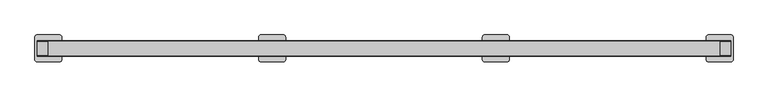
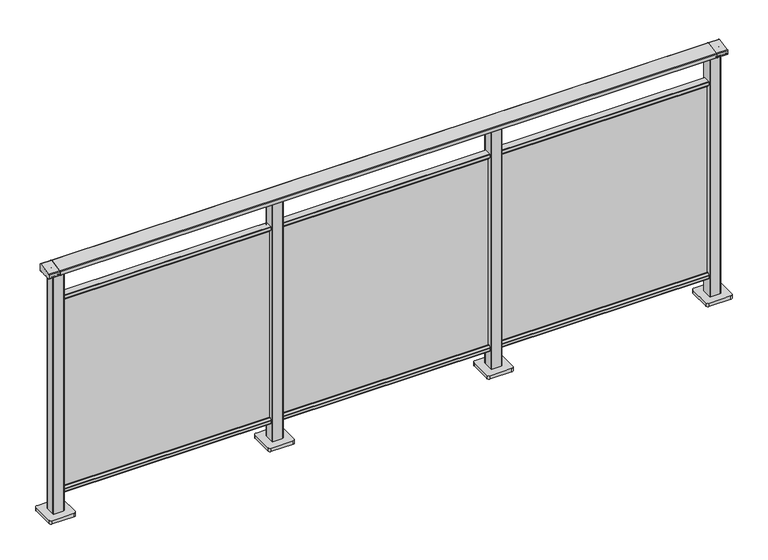
"""IFC4 building model written with IfcOpenShell, lengths in millimetres: railing geometry."""

from ifc_helpers import new_model, si_unit, point, frame, frame_2d, origin, origin_with_axes, place, context, project, spatial, polyline, circle_curve, trimmed, segment, composite_curve, outline, extrude, source, transform, mapped, element, save
from ifc_brep_helpers import plane_surface, cylinder_surface, advanced_brep


def railing_b24ad477(model_context):
    return source(origin(), model_context, "Body", "SolidModel", [
        extrude(outline(composite_curve([segment(trimmed(circle_curve(frame_2d((10327.8594975, 1197.0)), 3.0), [point((10327.338553, 1199.9544233))], [point((10330.8594975, 1197.0))], False, "CARTESIAN"), True, "CONTINUOUS"), segment(polyline([(10330.8594975, 1197.0), (10330.8594975, 1169.2)]), True, "CONTINUOUS"), segment(trimmed(circle_curve(frame_2d((10327.8594975, 1169.2)), 3.0), [point((10330.8594975, 1169.2))], [point((10327.8594975, 1166.2))], False, "CARTESIAN"), True, "CONTINUOUS"), segment(polyline([(10327.8594975, 1166.2), (10304.1783618, 1166.2)]), True, "CONTINUOUS"), segment(trimmed(circle_curve(frame_2d((10295.851515, 1183.2818957)), 19.003356), [point((10304.1783618, 1166.2))], [point((10287.5246681, 1166.2))], False, "CARTESIAN"), True, "CONTINUOUS"), segment(polyline([(10287.5246681, 1166.2), (10263.8594975, 1166.2)]), True, "CONTINUOUS"), segment(trimmed(circle_curve(frame_2d((10263.8594975, 1169.2)), 3.0), [point((10263.8594975, 1166.2))], [point((10260.8594975, 1169.2))], False, "CARTESIAN"), True, "CONTINUOUS"), segment(polyline([(10260.8594975, 1169.2), (10260.8594975, 1185.7150732)]), True, "CONTINUOUS"), segment(trimmed(circle_curve(frame_2d((10263.8594975, 1185.7150732)), 3.0), [point((10260.8594975, 1185.7150732))], [point((10263.338553, 1188.6694965))], False, "CARTESIAN"), True, "CONTINUOUS"), segment(polyline([(10263.338553, 1188.6694965), (10327.338553, 1199.9544233)]), True, "CONTINUOUS")], self_intersect=False)), frame((-418.6053075, 0.0, 0.0), z_axis=(1.0, 0.0, 0.0), x_axis=(0.0, 1.0, 0.0)), (0.0, 0.0, 1.0), 3000.0),
        extrude(outline(composite_curve([segment(trimmed(circle_curve(frame_2d((10280.1507946, 101.8)), 1.8), [point((10280.1507946, 100.0))], [point((10278.3507946, 101.8))], False, "CARTESIAN"), True, "CONTINUOUS"), segment(polyline([(10278.3507946, 101.8), (10278.3507946, 115.5269955)]), True, "CONTINUOUS"), segment(trimmed(circle_curve(frame_2d((10280.1507946, 115.5269955)), 1.8), [point((10278.3507946, 115.5269955))], [point((10278.7923377, 116.7079252))], False, "CARTESIAN"), True, "CONTINUOUS"), segment(polyline([(10278.7923377, 116.7079252), (10285.4626112, 124.3809297)]), True, "CONTINUOUS"), segment(trimmed(circle_curve(frame_2d((10286.8210681, 123.2)), 1.8), [point((10285.4626112, 124.3809297))], [point((10286.8210681, 125.0))], False, "CARTESIAN"), True, "CONTINUOUS"), segment(polyline([(10286.8210681, 125.0), (10290.5111103, 125.0), (10291.809167, 113.0), (10299.8924651, 113.0), (10301.1904968, 125.0), (10304.880515, 125.0)]), True, "CONTINUOUS"), segment(trimmed(circle_curve(frame_2d((10304.880515, 123.2)), 1.8), [point((10304.880515, 125.0))], [point((10306.2389697, 124.3809322))], False, "CARTESIAN"), True, "CONTINUOUS"), segment(polyline([(10306.2389697, 124.3809322), (10312.9092682, 116.7079277)]), True, "CONTINUOUS"), segment(trimmed(circle_curve(frame_2d((10311.5508136, 115.5269955)), 1.8), [point((10312.9092682, 116.7079277))], [point((10313.3508136, 115.5269955))], False, "CARTESIAN"), True, "CONTINUOUS"), segment(polyline([(10313.3508136, 115.5269955), (10313.3508136, 101.8)]), True, "CONTINUOUS"), segment(trimmed(circle_curve(frame_2d((10311.5508136, 101.8)), 1.8), [point((10313.3508136, 101.8))], [point((10311.5508136, 100.0))], False, "CARTESIAN"), True, "CONTINUOUS"), segment(polyline([(10311.5508136, 100.0), (10280.1507946, 100.0)]), True, "CONTINUOUS")], self_intersect=False)), frame((-418.6053075, 0.0, 0.0), z_axis=(1.0, 0.0, 0.0), x_axis=(0.0, 1.0, 0.0)), (0.0, 0.0, 1.0), 3000.0),
        extrude(outline(composite_curve([segment(trimmed(circle_curve(frame_2d((10311.5508136, 1048.2)), 1.8), [point((10311.5508136, 1050.0))], [point((10313.3508136, 1048.2))], False, "CARTESIAN"), True, "CONTINUOUS"), segment(polyline([(10313.3508136, 1048.2), (10313.3508136, 1034.4730045)]), True, "CONTINUOUS"), segment(trimmed(circle_curve(frame_2d((10311.5508136, 1034.4730045)), 1.8), [point((10313.3508136, 1034.4730045))], [point((10312.9092682, 1033.2920723))], False, "CARTESIAN"), True, "CONTINUOUS"), segment(polyline([(10312.9092682, 1033.2920723), (10306.2389697, 1025.6190678)]), True, "CONTINUOUS"), segment(trimmed(circle_curve(frame_2d((10304.880515, 1026.8)), 1.8), [point((10306.2389697, 1025.6190678))], [point((10304.880515, 1025.0))], False, "CARTESIAN"), True, "CONTINUOUS"), segment(polyline([(10304.880515, 1025.0), (10301.1904968, 1025.0), (10299.8924651, 1037.0), (10291.809167, 1037.0), (10290.5111103, 1025.0), (10286.8210681, 1025.0)]), True, "CONTINUOUS"), segment(trimmed(circle_curve(frame_2d((10286.8210681, 1026.8)), 1.8), [point((10286.8210681, 1025.0))], [point((10285.4626112, 1025.6190703))], False, "CARTESIAN"), True, "CONTINUOUS"), segment(polyline([(10285.4626112, 1025.6190703), (10278.7923377, 1033.2920748)]), True, "CONTINUOUS"), segment(trimmed(circle_curve(frame_2d((10280.1507946, 1034.4730045)), 1.8), [point((10278.7923377, 1033.2920748))], [point((10278.3507946, 1034.4730045))], False, "CARTESIAN"), True, "CONTINUOUS"), segment(polyline([(10278.3507946, 1034.4730045), (10278.3507946, 1048.2)]), True, "CONTINUOUS"), segment(trimmed(circle_curve(frame_2d((10280.1507946, 1048.2)), 1.8), [point((10278.3507946, 1048.2))], [point((10280.1507946, 1050.0))], False, "CARTESIAN"), True, "CONTINUOUS"), segment(polyline([(10280.1507946, 1050.0), (10311.5508136, 1050.0)]), True, "CONTINUOUS")], self_intersect=False)), frame((-418.6053075, 0.0, 0.0), z_axis=(1.0, 0.0, 0.0), x_axis=(0.0, 1.0, 0.0)), (0.0, 0.0, 1.0), 3000.0),
        extrude(outline(polyline([(-418.6053075, 10293.8508041), (-418.6053075, 10297.8508041), (2581.3946925, 10297.8508041), (2581.3946925, 10293.8508041), (-418.6053075, 10293.8508041)])), frame((0.0, 0.0, 100.0), z_axis=(0.0, 0.0, 1.0), x_axis=(1.0, 0.0, 0.0)), (0.0, 0.0, 1.0), 940.0),
        extrude(outline(composite_curve([segment(polyline([(1555.994681, 10273.4507816), (1555.994681, 10318.2508046)]), True, "CONTINUOUS"), segment(trimmed(circle_curve(frame_2d((1558.994681, 10318.2508046)), 3.0), [point((1555.994681, 10318.2508046))], [point((1558.994681, 10321.2508046))], False, "CARTESIAN"), True, "CONTINUOUS"), segment(polyline([(1558.994681, 10321.2508046), (1603.794704, 10321.2508046)]), True, "CONTINUOUS"), segment(trimmed(circle_curve(frame_2d((1603.794704, 10318.2508046)), 3.0), [point((1603.794704, 10321.2508046))], [point((1606.794704, 10318.2508046))], False, "CARTESIAN"), True, "CONTINUOUS"), segment(polyline([(1606.794704, 10318.2508046), (1606.794704, 10273.4507816)]), True, "CONTINUOUS"), segment(trimmed(circle_curve(frame_2d((1603.794704, 10273.4507816)), 3.0), [point((1606.794704, 10273.4507816))], [point((1603.794704, 10270.4507816))], False, "CARTESIAN"), True, "CONTINUOUS"), segment(polyline([(1603.794704, 10270.4507816), (1558.994681, 10270.4507816)]), True, "CONTINUOUS"), segment(trimmed(circle_curve(frame_2d((1558.994681, 10273.4507816)), 3.0), [point((1558.994681, 10270.4507816))], [point((1555.994681, 10273.4507816))], False, "CARTESIAN"), True, "CONTINUOUS")], self_intersect=False)), frame((0.0, 0.0, 16.0), z_axis=(0.0, 0.0, 1.0), x_axis=(1.0, 0.0, 0.0)), (0.0, 0.0, 1.0), 1148.2785397),
        extrude(outline(composite_curve([segment(polyline([(1521.394681, 10245.8507931), (1521.394681, 10345.8507931)]), True, "CONTINUOUS"), segment(trimmed(circle_curve(frame_2d((1531.394681, 10345.8507931)), 10.0), [point((1521.394681, 10345.8507931))], [point((1531.394681, 10355.8507931))], False, "CARTESIAN"), True, "CONTINUOUS"), segment(polyline([(1531.394681, 10355.8507931), (1631.394681, 10355.8507931)]), True, "CONTINUOUS"), segment(trimmed(circle_curve(frame_2d((1631.394681, 10345.8507931)), 10.0), [point((1631.394681, 10355.8507931))], [point((1641.394681, 10345.8507931))], False, "CARTESIAN"), True, "CONTINUOUS"), segment(polyline([(1641.394681, 10345.8507931), (1641.394681, 10245.8507931)]), True, "CONTINUOUS"), segment(trimmed(circle_curve(frame_2d((1631.394681, 10245.8507931)), 10.0), [point((1641.394681, 10245.8507931))], [point((1631.394681, 10235.8507931))], False, "CARTESIAN"), True, "CONTINUOUS"), segment(polyline([(1631.394681, 10235.8507931), (1531.394681, 10235.8507931)]), True, "CONTINUOUS"), segment(trimmed(circle_curve(frame_2d((1531.394681, 10245.8507931)), 10.0), [point((1531.394681, 10235.8507931))], [point((1521.394681, 10245.8507931))], False, "CARTESIAN"), True, "CONTINUOUS")], self_intersect=False)), origin_with_axes(), (0.0, 0.0, 1.0), 16.0),
        extrude(outline(composite_curve([segment(polyline([(555.994681, 10273.4507816), (555.994681, 10318.2508046)]), True, "CONTINUOUS"), segment(trimmed(circle_curve(frame_2d((558.994681, 10318.2508046)), 3.0), [point((555.994681, 10318.2508046))], [point((558.994681, 10321.2508046))], False, "CARTESIAN"), True, "CONTINUOUS"), segment(polyline([(558.994681, 10321.2508046), (603.794704, 10321.2508046)]), True, "CONTINUOUS"), segment(trimmed(circle_curve(frame_2d((603.794704, 10318.2508046)), 3.0), [point((603.794704, 10321.2508046))], [point((606.794704, 10318.2508046))], False, "CARTESIAN"), True, "CONTINUOUS"), segment(polyline([(606.794704, 10318.2508046), (606.794704, 10273.4507816)]), True, "CONTINUOUS"), segment(trimmed(circle_curve(frame_2d((603.794704, 10273.4507816)), 3.0), [point((606.794704, 10273.4507816))], [point((603.794704, 10270.4507816))], False, "CARTESIAN"), True, "CONTINUOUS"), segment(polyline([(603.794704, 10270.4507816), (558.994681, 10270.4507816)]), True, "CONTINUOUS"), segment(trimmed(circle_curve(frame_2d((558.994681, 10273.4507816)), 3.0), [point((558.994681, 10270.4507816))], [point((555.994681, 10273.4507816))], False, "CARTESIAN"), True, "CONTINUOUS")], self_intersect=False)), frame((0.0, 0.0, 16.0), z_axis=(0.0, 0.0, 1.0), x_axis=(1.0, 0.0, 0.0)), (0.0, 0.0, 1.0), 1148.2785397),
        extrude(outline(composite_curve([segment(polyline([(521.394681, 10245.8507931), (521.394681, 10345.8507931)]), True, "CONTINUOUS"), segment(trimmed(circle_curve(frame_2d((531.394681, 10345.8507931)), 10.0), [point((521.394681, 10345.8507931))], [point((531.394681, 10355.8507931))], False, "CARTESIAN"), True, "CONTINUOUS"), segment(polyline([(531.394681, 10355.8507931), (631.394681, 10355.8507931)]), True, "CONTINUOUS"), segment(trimmed(circle_curve(frame_2d((631.394681, 10345.8507931)), 10.0), [point((631.394681, 10355.8507931))], [point((641.394681, 10345.8507931))], False, "CARTESIAN"), True, "CONTINUOUS"), segment(polyline([(641.394681, 10345.8507931), (641.394681, 10245.8507931)]), True, "CONTINUOUS"), segment(trimmed(circle_curve(frame_2d((631.394681, 10245.8507931)), 10.0), [point((641.394681, 10245.8507931))], [point((631.394681, 10235.8507931))], False, "CARTESIAN"), True, "CONTINUOUS"), segment(polyline([(631.394681, 10235.8507931), (531.394681, 10235.8507931)]), True, "CONTINUOUS"), segment(trimmed(circle_curve(frame_2d((531.394681, 10245.8507931)), 10.0), [point((531.394681, 10235.8507931))], [point((521.394681, 10245.8507931))], False, "CARTESIAN"), True, "CONTINUOUS")], self_intersect=False)), origin_with_axes(), (0.0, 0.0, 1.0), 16.0),
        extrude(outline(composite_curve([segment(polyline([(2555.994681, 10273.4507816), (2555.994681, 10318.2508046)]), True, "CONTINUOUS"), segment(trimmed(circle_curve(frame_2d((2558.994681, 10318.2508046)), 3.0), [point((2555.994681, 10318.2508046))], [point((2558.994681, 10321.2508046))], False, "CARTESIAN"), True, "CONTINUOUS"), segment(polyline([(2558.994681, 10321.2508046), (2603.794704, 10321.2508046)]), True, "CONTINUOUS"), segment(trimmed(circle_curve(frame_2d((2603.794704, 10318.2508046)), 3.0), [point((2603.794704, 10321.2508046))], [point((2606.794704, 10318.2508046))], False, "CARTESIAN"), True, "CONTINUOUS"), segment(polyline([(2606.794704, 10318.2508046), (2606.794704, 10273.4507816)]), True, "CONTINUOUS"), segment(trimmed(circle_curve(frame_2d((2603.794704, 10273.4507816)), 3.0), [point((2606.794704, 10273.4507816))], [point((2603.794704, 10270.4507816))], False, "CARTESIAN"), True, "CONTINUOUS"), segment(polyline([(2603.794704, 10270.4507816), (2558.994681, 10270.4507816)]), True, "CONTINUOUS"), segment(trimmed(circle_curve(frame_2d((2558.994681, 10273.4507816)), 3.0), [point((2558.994681, 10270.4507816))], [point((2555.994681, 10273.4507816))], False, "CARTESIAN"), True, "CONTINUOUS")], self_intersect=False)), frame((0.0, 0.0, 16.0), z_axis=(0.0, 0.0, 1.0), x_axis=(1.0, 0.0, 0.0)), (0.0, 0.0, 1.0), 1148.2785397),
        extrude(outline(composite_curve([segment(polyline([(2521.394681, 10245.8507931), (2521.394681, 10345.8507931)]), True, "CONTINUOUS"), segment(trimmed(circle_curve(frame_2d((2531.394681, 10345.8507931)), 10.0), [point((2521.394681, 10345.8507931))], [point((2531.394681, 10355.8507931))], False, "CARTESIAN"), True, "CONTINUOUS"), segment(polyline([(2531.394681, 10355.8507931), (2631.394681, 10355.8507931)]), True, "CONTINUOUS"), segment(trimmed(circle_curve(frame_2d((2631.394681, 10345.8507931)), 10.0), [point((2631.394681, 10355.8507931))], [point((2641.394681, 10345.8507931))], False, "CARTESIAN"), True, "CONTINUOUS"), segment(polyline([(2641.394681, 10345.8507931), (2641.394681, 10245.8507931)]), True, "CONTINUOUS"), segment(trimmed(circle_curve(frame_2d((2631.394681, 10245.8507931)), 10.0), [point((2641.394681, 10245.8507931))], [point((2631.394681, 10235.8507931))], False, "CARTESIAN"), True, "CONTINUOUS"), segment(polyline([(2631.394681, 10235.8507931), (2531.394681, 10235.8507931)]), True, "CONTINUOUS"), segment(trimmed(circle_curve(frame_2d((2531.394681, 10245.8507931)), 10.0), [point((2531.394681, 10235.8507931))], [point((2521.394681, 10245.8507931))], False, "CARTESIAN"), True, "CONTINUOUS")], self_intersect=False)), origin_with_axes(), (0.0, 0.0, 1.0), 16.0),
        advanced_brep(
        [(2631.3946925, 10327.338553, 1199.9544233), (2631.3946925, 10263.338553, 1188.6694965), (2631.3946925, 10260.8594975, 1185.7150732), (2631.3946925, 10260.8594975, 1169.2), (2631.3946925, 10263.8594975, 1166.2), (2631.3946925, 10268.6766494, 1166.2), (2631.3946925, 10269.6055852, 1166.9000033), (2631.3946925, 10270.1055852, 1166.4000003), (2631.3946925, 10288.2660875, 1166.4000003), (2631.3946925, 10288.859963, 1165.6114192), (2631.3946925, 10302.8396379, 1165.6106384), (2631.3946925, 10303.4355206, 1166.4000003), (2631.3946925, 10321.5455028, 1166.4000003), (2631.3946925, 10322.1185784, 1166.9730759), (2631.3946925, 10323.0095836, 1166.2), (2631.3946925, 10327.8594975, 1166.2), (2631.3946925, 10330.8594975, 1169.2), (2631.3946925, 10330.8594975, 1197.0), (2581.3946925, 10327.338553, 1199.9544233), (2581.3946925, 10330.8594975, 1197.0), (2581.3946925, 10330.8594975, 1169.2), (2581.3946925, 10327.8594975, 1166.2), (2581.3946925, 10323.0095836, 1166.2), (2581.3946925, 10322.1185784, 1166.9730759), (2581.3946925, 10321.5455028, 1166.4000003), (2581.3946925, 10303.4355206, 1166.4000003), (2581.3946925, 10302.8430669, 1165.6114192), (2581.3946925, 10288.8599685, 1165.6114328), (2581.3946925, 10288.2660875, 1166.4000003), (2581.3946925, 10270.1055852, 1166.4000003), (2581.3946925, 10269.6055852, 1166.9000033), (2581.3946925, 10268.6766494, 1166.2), (2581.3946925, 10263.8594975, 1166.2), (2581.3946925, 10260.8594975, 1169.2), (2581.3946925, 10260.8594975, 1185.7150732), (2581.3946925, 10263.338553, 1188.6694965)],
        [
            (0, 1),
            (1, 2, circle_curve(frame((2631.3946925, 10263.8594975, 1185.7150732), z_axis=(1.0, 0.0, 0.0), x_axis=(0.0, -1.0, 0.0)), 3.0)),
            (2, 3),
            (3, 4, circle_curve(frame((2631.3946925, 10263.8594975, 1169.2), z_axis=(1.0, 0.0, 0.0), x_axis=(0.0, 0.0, -1.0)), 3.0)),
            (4, 5),
            (5, 6, circle_curve(frame((2631.3946925, 10268.6943877, 1167.1428319), z_axis=(1.0, 0.0, 0.0), x_axis=(0.0, 1.0, 0.0)), 0.9429987)),
            (6, 7, circle_curve(frame((2631.3946925, 10270.1055852, 1166.9000003), z_axis=(1.0, 0.0, 0.0), x_axis=(0.0, 0.0, -1.0)), 0.5)),
            (7, 8),
            (8, 9, circle_curve(frame((2631.3946925, 10289.2114065, 1166.4940192), z_axis=(1.0, 0.0, 0.0), x_axis=(0.0, -1.0, 0.0)), 0.9499829)),
            (9, 10, circle_curve(frame((2631.3946925, 10295.851515, 1183.2818957), z_axis=(1.0, 0.0, 0.0), x_axis=(0.0, 1.0, 0.0)), 19.003356)),
            (10, 11, circle_curve(frame((2631.3946925, 10302.4902016, 1166.4940192), z_axis=(1.0, 0.0, 0.0), x_axis=(0.0, 1.0, 0.0)), 0.9499829)),
            (11, 12),
            (12, 13, circle_curve(frame((2631.3946925, 10321.5455028, 1166.9730759), z_axis=(1.0, 0.0, 0.0), x_axis=(0.0, 1.0, 0.0)), 0.5730756)),
            (13, 14, circle_curve(frame((2631.3946925, 10323.0095836, 1167.1), z_axis=(1.0, 0.0, 0.0), x_axis=(0.0, 0.0, -1.0)), 0.9)),
            (14, 15),
            (15, 16, circle_curve(frame((2631.3946925, 10327.8594975, 1169.2), z_axis=(1.0, 0.0, 0.0), x_axis=(0.0, 1.0, 0.0)), 3.0)),
            (16, 17),
            (17, 0, circle_curve(frame((2631.3946925, 10327.8594975, 1197.0), z_axis=(1.0, 0.0, 0.0), x_axis=(0.0, -0.1736481776670499, 0.984807753012187)), 3.0)),
            (18, 19, circle_curve(frame((2581.3946925, 10327.8594975, 1197.0), z_axis=(-1.0, 0.0, 0.0), x_axis=(0.0, -0.1736481776670499, 0.984807753012187)), 3.0)),
            (19, 20),
            (20, 21, circle_curve(frame((2581.3946925, 10327.8594975, 1169.2), z_axis=(-1.0, 0.0, 0.0), x_axis=(0.0, 1.0, 0.0)), 3.0)),
            (21, 22),
            (22, 23, circle_curve(frame((2581.3946925, 10323.0095836, 1167.1), z_axis=(-1.0, 0.0, 0.0), x_axis=(0.0, 0.0, -1.0)), 0.9)),
            (23, 24, circle_curve(frame((2581.3946925, 10321.5455028, 1166.9730759), z_axis=(-1.0, 0.0, 0.0), x_axis=(0.0, 1.0, 0.0)), 0.5730756)),
            (24, 25),
            (25, 26, circle_curve(frame((2581.3946925, 10302.4902016, 1166.4940192), z_axis=(-1.0, 0.0, 0.0), x_axis=(0.0, 1.0, 0.0)), 0.9499829)),
            (26, 27, circle_curve(frame((2581.3946925, 10295.851515, 1183.2818957), z_axis=(-1.0, 0.0, 0.0), x_axis=(0.0, 1.0, 0.0)), 19.003356)),
            (27, 28, circle_curve(frame((2581.3946925, 10289.2114065, 1166.4940192), z_axis=(-1.0, 0.0, 0.0), x_axis=(0.0, -1.0, 0.0)), 0.9499829)),
            (28, 29),
            (29, 30, circle_curve(frame((2581.3946925, 10270.1055852, 1166.9000003), z_axis=(-1.0, 0.0, 0.0), x_axis=(0.0, 0.0, -1.0)), 0.5)),
            (30, 31, circle_curve(frame((2581.3946925, 10268.6943877, 1167.1428319), z_axis=(-1.0, 0.0, 0.0), x_axis=(0.0, 1.0, 0.0)), 0.9429987)),
            (31, 32),
            (32, 33, circle_curve(frame((2581.3946925, 10263.8594975, 1169.2), z_axis=(-1.0, 0.0, 0.0), x_axis=(0.0, 0.0, -1.0)), 3.0)),
            (33, 34),
            (34, 35, circle_curve(frame((2581.3946925, 10263.8594975, 1185.7150732), z_axis=(-1.0, 0.0, 0.0), x_axis=(0.0, -1.0, 0.0)), 3.0)),
            (35, 18),
            (17, 19),
            (18, 0),
            (16, 20),
            (15, 21),
            (14, 22),
            (13, 23),
            (12, 24),
            (11, 25),
            (10, 26),
            (9, 27),
            (8, 28),
            (7, 29),
            (6, 30),
            (5, 31),
            (4, 32),
            (3, 33),
            (2, 34),
            (1, 35),
        ],
        [
            plane_surface(frame((2631.3946925, 10295.8508041, 1168.2356773), z_axis=(1.0, 0.0, 0.0), x_axis=(0.0, -1.0, 0.0))),
            plane_surface(frame((2581.3946925, 10295.8508041, 1168.2356773), z_axis=(-1.0, 0.0, 0.0), x_axis=(0.0, -1.0, 0.0))),
            cylinder_surface(frame((2631.3946925, 10327.8594975, 1197.0), z_axis=(1.0000000000000002, 0.0, 0.0), x_axis=(0.0, -0.1736481776670499, 0.984807753012187)), 3.0),
            plane_surface(frame((2631.3946925, 10330.8594975, 1197.0), z_axis=(0.0, 1.0, 0.0), x_axis=(-1.0, 0.0, 0.0))),
            cylinder_surface(frame((2631.3946925, 10327.8594975, 1169.2), z_axis=(1.0, 0.0, 0.0), x_axis=(0.0, 1.0, 0.0)), 3.0),
            plane_surface(frame((2631.3946925, 10327.8594975, 1166.2), z_axis=(0.0, 0.0, -1.0), x_axis=(-1.0, 0.0, 0.0))),
            cylinder_surface(frame((2631.3946925, 10323.0095836, 1167.1), z_axis=(1.0, 0.0, 0.0), x_axis=(0.0, 0.0, -1.0)), 0.9),
            cylinder_surface(frame((2631.3946925, 10321.5455028, 1166.9730759), z_axis=(1.0, 0.0, 0.0), x_axis=(0.0, 1.0, 0.0)), 0.5730756),
            plane_surface(frame((2631.3946925, 10321.5455028, 1166.4000003), z_axis=(0.0, 0.0, -1.0), x_axis=(-1.0, 0.0, 0.0))),
            cylinder_surface(frame((2631.3946925, 10302.4902016, 1166.4940192), z_axis=(1.0, 0.0, 0.0), x_axis=(0.0, 1.0, 0.0)), 0.9499829),
            cylinder_surface(frame((2631.3946925, 10295.851515, 1183.2818957), z_axis=(1.0, 0.0, 0.0), x_axis=(0.0, 1.0, 0.0)), 19.003356),
            cylinder_surface(frame((2631.3946925, 10289.2114065, 1166.4940192), z_axis=(1.0, 0.0, 0.0), x_axis=(0.0, -1.0, 0.0)), 0.9499829),
            plane_surface(frame((2631.3946925, 10288.2660875, 1166.4000003), z_axis=(0.0, 0.0, -1.0), x_axis=(-1.0, 0.0, 0.0))),
            cylinder_surface(frame((2631.3946925, 10270.1055852, 1166.9000003), z_axis=(1.0, 0.0, 0.0), x_axis=(0.0, 0.0, -1.0)), 0.5),
            cylinder_surface(frame((2631.3946925, 10268.6943877, 1167.1428319), z_axis=(1.0, 0.0, 0.0), x_axis=(0.0, 1.0, 0.0)), 0.9429987),
            plane_surface(frame((2631.3946925, 10268.6766494, 1166.2), z_axis=(0.0, 0.0, -1.0), x_axis=(-1.0, 0.0, 0.0))),
            cylinder_surface(frame((2631.3946925, 10263.8594975, 1169.2), z_axis=(1.0, 0.0, 0.0), x_axis=(0.0, 0.0, -1.0)), 3.0),
            plane_surface(frame((2631.3946925, 10260.8594975, 1169.2), z_axis=(0.0, -1.0, 0.0), x_axis=(-1.0, 0.0, 0.0))),
            cylinder_surface(frame((2631.3946925, 10263.8594975, 1185.7150732), z_axis=(1.0, 0.0, 0.0), x_axis=(0.0, -1.0, 0.0)), 3.0),
            plane_surface(frame((2631.3946925, 10263.338553, 1188.6694965), z_axis=(0.0, -0.17364817766695742, 0.9848077530122034), x_axis=(-1.0, 0.0, 0.0))),
        ],
        [
            (0, [[1, 2, 3, 4, 5, 6, 7, 8, 9, 10, 11, 12, 13, 14, 15, 16, 17, 18]]),
            (1, [[19, 20, 21, 22, 23, 24, 25, 26, 27, 28, 29, 30, 31, 32, 33, 34, 35, 36]]),
            (2, [[37, -19, 38, -18]]),
            (3, [[39, -20, -37, -17]]),
            (4, [[40, -21, -39, -16]]),
            (5, [[41, -22, -40, -15]]),
            (6, [[42, -23, -41, -14]]),
            (7, [[43, -24, -42, -13]]),
            (8, [[44, -25, -43, -12]]),
            (9, [[45, -26, -44, -11]]),
            (10, [[46, -27, -45, -10]]),
            (11, [[47, -28, -46, -9]]),
            (12, [[48, -29, -47, -8]]),
            (13, [[49, -30, -48, -7]]),
            (14, [[50, -31, -49, -6]]),
            (15, [[51, -32, -50, -5]]),
            (16, [[52, -33, -51, -4]]),
            (17, [[53, -34, -52, -3]]),
            (18, [[54, -35, -53, -2]]),
            (19, [[-38, -36, -54, -1]]),
        ],
    ),
        extrude(outline(composite_curve([segment(polyline([(-444.005319, 10273.4507816), (-444.005319, 10318.2508046)]), True, "CONTINUOUS"), segment(trimmed(circle_curve(frame_2d((-441.005319, 10318.2508046)), 3.0), [point((-444.005319, 10318.2508046))], [point((-441.005319, 10321.2508046))], False, "CARTESIAN"), True, "CONTINUOUS"), segment(polyline([(-441.005319, 10321.2508046), (-396.205296, 10321.2508046)]), True, "CONTINUOUS"), segment(trimmed(circle_curve(frame_2d((-396.205296, 10318.2508046)), 3.0), [point((-396.205296, 10321.2508046))], [point((-393.205296, 10318.2508046))], False, "CARTESIAN"), True, "CONTINUOUS"), segment(polyline([(-393.205296, 10318.2508046), (-393.205296, 10273.4507816)]), True, "CONTINUOUS"), segment(trimmed(circle_curve(frame_2d((-396.205296, 10273.4507816)), 3.0), [point((-393.205296, 10273.4507816))], [point((-396.205296, 10270.4507816))], False, "CARTESIAN"), True, "CONTINUOUS"), segment(polyline([(-396.205296, 10270.4507816), (-441.005319, 10270.4507816)]), True, "CONTINUOUS"), segment(trimmed(circle_curve(frame_2d((-441.005319, 10273.4507816)), 3.0), [point((-441.005319, 10270.4507816))], [point((-444.005319, 10273.4507816))], False, "CARTESIAN"), True, "CONTINUOUS")], self_intersect=False)), frame((0.0, 0.0, 16.0), z_axis=(0.0, 0.0, 1.0), x_axis=(1.0, 0.0, 0.0)), (0.0, 0.0, 1.0), 1148.2785397),
        extrude(outline(composite_curve([segment(polyline([(-478.605319, 10245.8507931), (-478.605319, 10345.8507931)]), True, "CONTINUOUS"), segment(trimmed(circle_curve(frame_2d((-468.605319, 10345.8507931)), 10.0), [point((-478.605319, 10345.8507931))], [point((-468.605319, 10355.8507931))], False, "CARTESIAN"), True, "CONTINUOUS"), segment(polyline([(-468.605319, 10355.8507931), (-368.605319, 10355.8507931)]), True, "CONTINUOUS"), segment(trimmed(circle_curve(frame_2d((-368.605319, 10345.8507931)), 10.0), [point((-368.605319, 10355.8507931))], [point((-358.605319, 10345.8507931))], False, "CARTESIAN"), True, "CONTINUOUS"), segment(polyline([(-358.605319, 10345.8507931), (-358.605319, 10245.8507931)]), True, "CONTINUOUS"), segment(trimmed(circle_curve(frame_2d((-368.605319, 10245.8507931)), 10.0), [point((-358.605319, 10245.8507931))], [point((-368.605319, 10235.8507931))], False, "CARTESIAN"), True, "CONTINUOUS"), segment(polyline([(-368.605319, 10235.8507931), (-468.605319, 10235.8507931)]), True, "CONTINUOUS"), segment(trimmed(circle_curve(frame_2d((-468.605319, 10245.8507931)), 10.0), [point((-468.605319, 10235.8507931))], [point((-478.605319, 10245.8507931))], False, "CARTESIAN"), True, "CONTINUOUS")], self_intersect=False)), origin_with_axes(), (0.0, 0.0, 1.0), 16.0),
        advanced_brep(
        [(-418.6053075, 10327.338553, 1199.9544233), (-418.6053075, 10263.338553, 1188.6694965), (-418.6053075, 10260.8594975, 1185.7150732), (-418.6053075, 10260.8594975, 1169.2), (-418.6053075, 10263.8594975, 1166.2), (-418.6053075, 10268.6766494, 1166.2), (-418.6053075, 10269.6055852, 1166.9000033), (-418.6053075, 10270.1055852, 1166.4000003), (-418.6053075, 10288.2660875, 1166.4000003), (-418.6053075, 10288.859963, 1165.6114192), (-418.6053075, 10302.8396379, 1165.6106384), (-418.6053075, 10303.4355206, 1166.4000003), (-418.6053075, 10321.5455028, 1166.4000003), (-418.6053075, 10322.1185784, 1166.9730759), (-418.6053075, 10323.0095836, 1166.2), (-418.6053075, 10327.8594975, 1166.2), (-418.6053075, 10330.8594975, 1169.2), (-418.6053075, 10330.8594975, 1197.0), (-468.6053075, 10327.338553, 1199.9544233), (-468.6053075, 10330.8594975, 1197.0), (-468.6053075, 10330.8594975, 1169.2), (-468.6053075, 10327.8594975, 1166.2), (-468.6053075, 10323.0095836, 1166.2), (-468.6053075, 10322.1185784, 1166.9730759), (-468.6053075, 10321.5455028, 1166.4000003), (-468.6053075, 10303.4355206, 1166.4000003), (-468.6053075, 10302.8430669, 1165.6114192), (-468.6053075, 10288.8599685, 1165.6114328), (-468.6053075, 10288.2660875, 1166.4000003), (-468.6053075, 10270.1055852, 1166.4000003), (-468.6053075, 10269.6055852, 1166.9000033), (-468.6053075, 10268.6766494, 1166.2), (-468.6053075, 10263.8594975, 1166.2), (-468.6053075, 10260.8594975, 1169.2), (-468.6053075, 10260.8594975, 1185.7150732), (-468.6053075, 10263.338553, 1188.6694965)],
        [
            (0, 1),
            (1, 2, circle_curve(frame((-418.6053075, 10263.8594975, 1185.7150732), z_axis=(1.0, 0.0, 0.0), x_axis=(0.0, -1.0, 0.0)), 3.0)),
            (2, 3),
            (3, 4, circle_curve(frame((-418.6053075, 10263.8594975, 1169.2), z_axis=(1.0, 0.0, 0.0), x_axis=(0.0, 0.0, -1.0)), 3.0)),
            (4, 5),
            (5, 6, circle_curve(frame((-418.6053075, 10268.6943877, 1167.1428319), z_axis=(1.0, 0.0, 0.0), x_axis=(0.0, 1.0, 0.0)), 0.9429987)),
            (6, 7, circle_curve(frame((-418.6053075, 10270.1055852, 1166.9000003), z_axis=(1.0, 0.0, 0.0), x_axis=(0.0, 0.0, -1.0)), 0.5)),
            (7, 8),
            (8, 9, circle_curve(frame((-418.6053075, 10289.2114065, 1166.4940192), z_axis=(1.0, 0.0, 0.0), x_axis=(0.0, -1.0, 0.0)), 0.9499829)),
            (9, 10, circle_curve(frame((-418.6053075, 10295.851515, 1183.2818957), z_axis=(1.0, 0.0, 0.0), x_axis=(0.0, 1.0, 0.0)), 19.003356)),
            (10, 11, circle_curve(frame((-418.6053075, 10302.4902016, 1166.4940192), z_axis=(1.0, 0.0, 0.0), x_axis=(0.0, 1.0, 0.0)), 0.9499829)),
            (11, 12),
            (12, 13, circle_curve(frame((-418.6053075, 10321.5455028, 1166.9730759), z_axis=(1.0, 0.0, 0.0), x_axis=(0.0, 1.0, 0.0)), 0.5730756)),
            (13, 14, circle_curve(frame((-418.6053075, 10323.0095836, 1167.1), z_axis=(1.0, 0.0, 0.0), x_axis=(0.0, 0.0, -1.0)), 0.9)),
            (14, 15),
            (15, 16, circle_curve(frame((-418.6053075, 10327.8594975, 1169.2), z_axis=(1.0, 0.0, 0.0), x_axis=(0.0, 1.0, 0.0)), 3.0)),
            (16, 17),
            (17, 0, circle_curve(frame((-418.6053075, 10327.8594975, 1197.0), z_axis=(1.0, 0.0, 0.0), x_axis=(0.0, -0.1736481776670499, 0.984807753012187)), 3.0)),
            (18, 19, circle_curve(frame((-468.6053075, 10327.8594975, 1197.0), z_axis=(-1.0, 0.0, 0.0), x_axis=(0.0, -0.1736481776670499, 0.984807753012187)), 3.0)),
            (19, 20),
            (20, 21, circle_curve(frame((-468.6053075, 10327.8594975, 1169.2), z_axis=(-1.0, 0.0, 0.0), x_axis=(0.0, 1.0, 0.0)), 3.0)),
            (21, 22),
            (22, 23, circle_curve(frame((-468.6053075, 10323.0095836, 1167.1), z_axis=(-1.0, 0.0, 0.0), x_axis=(0.0, 0.0, -1.0)), 0.9)),
            (23, 24, circle_curve(frame((-468.6053075, 10321.5455028, 1166.9730759), z_axis=(-1.0, 0.0, 0.0), x_axis=(0.0, 1.0, 0.0)), 0.5730756)),
            (24, 25),
            (25, 26, circle_curve(frame((-468.6053075, 10302.4902016, 1166.4940192), z_axis=(-1.0, 0.0, 0.0), x_axis=(0.0, 1.0, 0.0)), 0.9499829)),
            (26, 27, circle_curve(frame((-468.6053075, 10295.851515, 1183.2818957), z_axis=(-1.0, 0.0, 0.0), x_axis=(0.0, 1.0, 0.0)), 19.003356)),
            (27, 28, circle_curve(frame((-468.6053075, 10289.2114065, 1166.4940192), z_axis=(-1.0, 0.0, 0.0), x_axis=(0.0, -1.0, 0.0)), 0.9499829)),
            (28, 29),
            (29, 30, circle_curve(frame((-468.6053075, 10270.1055852, 1166.9000003), z_axis=(-1.0, 0.0, 0.0), x_axis=(0.0, 0.0, -1.0)), 0.5)),
            (30, 31, circle_curve(frame((-468.6053075, 10268.6943877, 1167.1428319), z_axis=(-1.0, 0.0, 0.0), x_axis=(0.0, 1.0, 0.0)), 0.9429987)),
            (31, 32),
            (32, 33, circle_curve(frame((-468.6053075, 10263.8594975, 1169.2), z_axis=(-1.0, 0.0, 0.0), x_axis=(0.0, 0.0, -1.0)), 3.0)),
            (33, 34),
            (34, 35, circle_curve(frame((-468.6053075, 10263.8594975, 1185.7150732), z_axis=(-1.0, 0.0, 0.0), x_axis=(0.0, -1.0, 0.0)), 3.0)),
            (35, 18),
            (17, 19),
            (18, 0),
            (16, 20),
            (15, 21),
            (14, 22),
            (13, 23),
            (12, 24),
            (11, 25),
            (10, 26),
            (9, 27),
            (8, 28),
            (7, 29),
            (6, 30),
            (5, 31),
            (4, 32),
            (3, 33),
            (2, 34),
            (1, 35),
        ],
        [
            plane_surface(frame((-418.6053075, 10295.8508041, 1168.2356773), z_axis=(1.0, 0.0, 0.0), x_axis=(0.0, -1.0, 0.0))),
            plane_surface(frame((-468.6053075, 10295.8508041, 1168.2356773), z_axis=(-1.0, 0.0, 0.0), x_axis=(0.0, -1.0, 0.0))),
            cylinder_surface(frame((-418.6053075, 10327.8594975, 1197.0), z_axis=(1.0000000000000002, 0.0, 0.0), x_axis=(0.0, -0.1736481776670499, 0.984807753012187)), 3.0),
            plane_surface(frame((-418.6053075, 10330.8594975, 1197.0), z_axis=(0.0, 1.0, 0.0), x_axis=(-1.0, 0.0, 0.0))),
            cylinder_surface(frame((-418.6053075, 10327.8594975, 1169.2), z_axis=(1.0, 0.0, 0.0), x_axis=(0.0, 1.0, 0.0)), 3.0),
            plane_surface(frame((-418.6053075, 10327.8594975, 1166.2), z_axis=(0.0, 0.0, -1.0), x_axis=(-1.0, 0.0, 0.0))),
            cylinder_surface(frame((-418.6053075, 10323.0095836, 1167.1), z_axis=(1.0, 0.0, 0.0), x_axis=(0.0, 0.0, -1.0)), 0.9),
            cylinder_surface(frame((-418.6053075, 10321.5455028, 1166.9730759), z_axis=(1.0, 0.0, 0.0), x_axis=(0.0, 1.0, 0.0)), 0.5730756),
            plane_surface(frame((-418.6053075, 10321.5455028, 1166.4000003), z_axis=(0.0, 0.0, -1.0), x_axis=(-1.0, 0.0, 0.0))),
            cylinder_surface(frame((-418.6053075, 10302.4902016, 1166.4940192), z_axis=(1.0, 0.0, 0.0), x_axis=(0.0, 1.0, 0.0)), 0.9499829),
            cylinder_surface(frame((-418.6053075, 10295.851515, 1183.2818957), z_axis=(1.0, 0.0, 0.0), x_axis=(0.0, 1.0, 0.0)), 19.003356),
            cylinder_surface(frame((-418.6053075, 10289.2114065, 1166.4940192), z_axis=(1.0, 0.0, 0.0), x_axis=(0.0, -1.0, 0.0)), 0.9499829),
            plane_surface(frame((-418.6053075, 10288.2660875, 1166.4000003), z_axis=(0.0, 0.0, -1.0), x_axis=(-1.0, 0.0, 0.0))),
            cylinder_surface(frame((-418.6053075, 10270.1055852, 1166.9000003), z_axis=(1.0, 0.0, 0.0), x_axis=(0.0, 0.0, -1.0)), 0.5),
            cylinder_surface(frame((-418.6053075, 10268.6943877, 1167.1428319), z_axis=(1.0, 0.0, 0.0), x_axis=(0.0, 1.0, 0.0)), 0.9429987),
            plane_surface(frame((-418.6053075, 10268.6766494, 1166.2), z_axis=(0.0, 0.0, -1.0), x_axis=(-1.0, 0.0, 0.0))),
            cylinder_surface(frame((-418.6053075, 10263.8594975, 1169.2), z_axis=(1.0, 0.0, 0.0), x_axis=(0.0, 0.0, -1.0)), 3.0),
            plane_surface(frame((-418.6053075, 10260.8594975, 1169.2), z_axis=(0.0, -1.0, 0.0), x_axis=(-1.0, 0.0, 0.0))),
            cylinder_surface(frame((-418.6053075, 10263.8594975, 1185.7150732), z_axis=(1.0, 0.0, 0.0), x_axis=(0.0, -1.0, 0.0)), 3.0),
            plane_surface(frame((-418.6053075, 10263.338553, 1188.6694965), z_axis=(0.0, -0.17364817766695742, 0.9848077530122034), x_axis=(-1.0, 0.0, 0.0))),
        ],
        [
            (0, [[1, 2, 3, 4, 5, 6, 7, 8, 9, 10, 11, 12, 13, 14, 15, 16, 17, 18]]),
            (1, [[19, 20, 21, 22, 23, 24, 25, 26, 27, 28, 29, 30, 31, 32, 33, 34, 35, 36]]),
            (2, [[37, -19, 38, -18]]),
            (3, [[39, -20, -37, -17]]),
            (4, [[40, -21, -39, -16]]),
            (5, [[41, -22, -40, -15]]),
            (6, [[42, -23, -41, -14]]),
            (7, [[43, -24, -42, -13]]),
            (8, [[44, -25, -43, -12]]),
            (9, [[45, -26, -44, -11]]),
            (10, [[46, -27, -45, -10]]),
            (11, [[47, -28, -46, -9]]),
            (12, [[48, -29, -47, -8]]),
            (13, [[49, -30, -48, -7]]),
            (14, [[50, -31, -49, -6]]),
            (15, [[51, -32, -50, -5]]),
            (16, [[52, -33, -51, -4]]),
            (17, [[53, -34, -52, -3]]),
            (18, [[54, -35, -53, -2]]),
            (19, [[-38, -36, -54, -1]]),
        ],
    ),
    ])


if __name__ == "__main__":
    model = new_model("IFC4")
    model_context = context("Model", 3, world=origin())
    ifc_project = project(units=[si_unit("LENGTHUNIT", "METRE", prefix="MILLI")], contexts=[model_context])
    site = spatial("IfcSite", under=ifc_project)
    building = spatial("IfcBuilding", under=site)
    placement = place(None, origin())
    railing_shape = railing_b24ad477(model_context)
    element("IfcRailing", 1, at=placement, inside=building, context=model_context, shape_type="MappedRepresentation", body=[
        mapped(railing_shape, transform((0.0, 0.0, 0.0), x_axis=(1.0, 0.0, 0.0), y_axis=(0.0, 1.0, 0.0), z_axis=(0.0, 0.0, 1.0))),
    ])
    save(model, "model.ifc")
